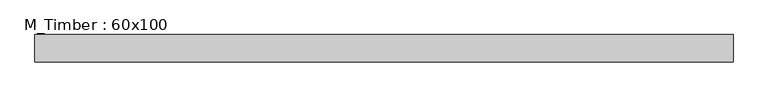
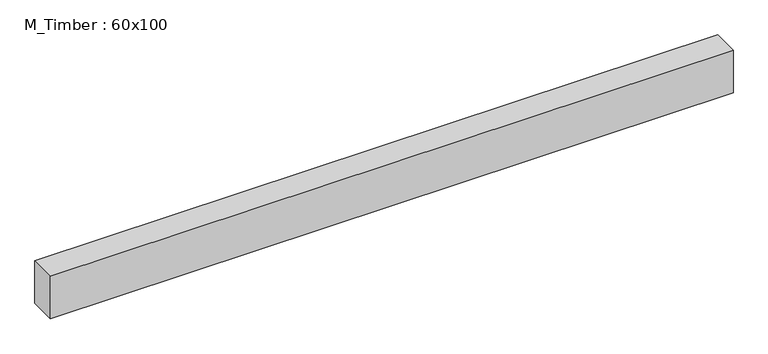
"""IFC4 building model written with IfcOpenShell, lengths in millimetres: beam geometry, M_Timber : 60x100."""

from ifc_helpers import new_model, si_unit, frame, origin, place, context, project, spatial, polyline, outline, extrude, source, transform, mapped, element, save


def m_timber_60x100_7735e935(model_context):
    return source(origin(), model_context, "Body", "SweptSolid", [
        extrude(outline(polyline([(762.4057144, 30.0), (762.4057144, -30.0), (-762.4057144, -30.0), (-762.4057144, 30.0), (762.4057144, 30.0)])), frame((0.0, 0.0, -50.0), z_axis=(0.0, 0.0, 1.0), x_axis=(1.0, 0.0, 0.0)), (0.0, 0.0, 1.0), 100.0),
    ])


if __name__ == "__main__":
    model = new_model("IFC4")
    model_context = context("Model", 3, world=origin())
    ifc_project = project(units=[si_unit("LENGTHUNIT", "METRE", prefix="MILLI")], contexts=[model_context])
    site = spatial("IfcSite", under=ifc_project)
    building = spatial("IfcBuilding", under=site)
    placement = place(None, origin())
    m_timber_60x100_shape = m_timber_60x100_7735e935(model_context)
    element("IfcBeam", 1, ObjectType="M_Timber : 60x100", at=placement, inside=building, context=model_context, shape_type="MappedRepresentation", body=[
        mapped(m_timber_60x100_shape, transform((0.0, 0.0, 0.0), x_axis=(1.0, 0.0, 0.0), y_axis=(0.0, 1.0, 0.0), z_axis=(0.0, 0.0, 1.0))),
    ])
    save(model, "model.ifc")
